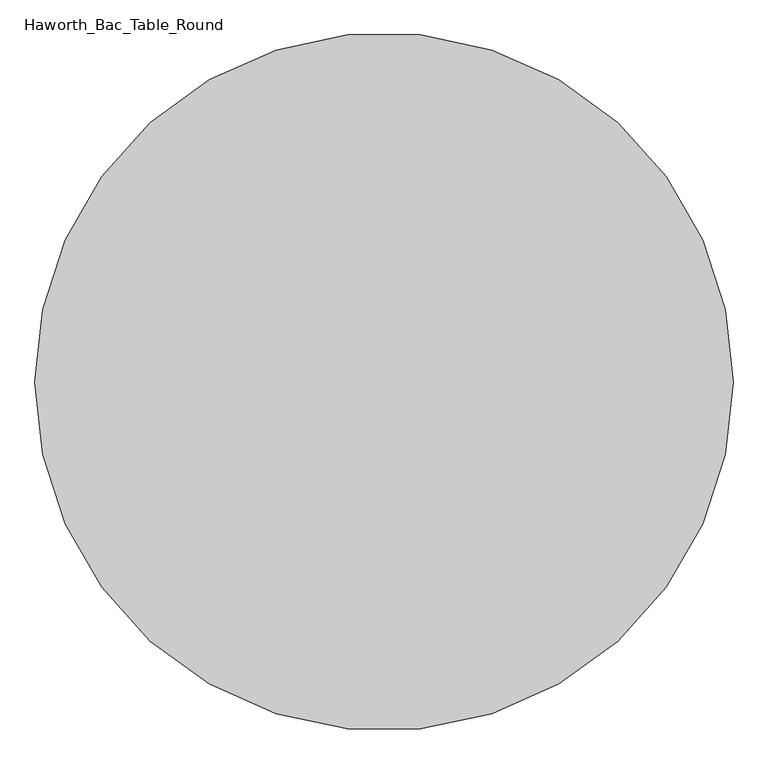
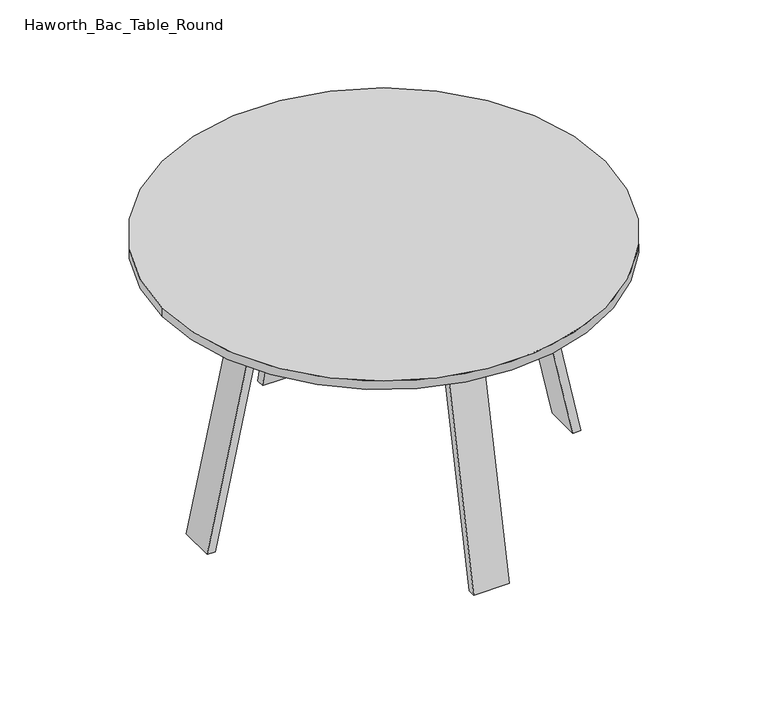
"""IFC4 building model written with IfcOpenShell, lengths in millimetres: furniture geometry, Haworth_Bac_Table_Round."""

from ifc_helpers import new_model, si_unit, point, frame, frame_2d, origin, place, context, project, spatial, polyline, circle_curve, trimmed, segment, composite_curve, outline, extrude, source, transform, mapped, element, save


def haworth_bac_table_round_a3223d51(model_context):
    return source(origin(), model_context, "Body", "SweptSolid", [
        extrude(outline(polyline([(-353.5108247, 711.2), (-34.0436127, 711.2), (-34.0436127, 630.7335937), (-370.6144874, 630.7335938), (-353.5108247, 711.2)])), frame((-30.0136719, 0.0, 0.0), z_axis=(1.0, 0.0, 0.0), x_axis=(0.0, 1.0, 0.0)), (0.0, 0.0, 1.0), 60.0273438),
        extrude(outline(polyline([(345.4509432, 711.2), (362.5546058, 630.7335938), (25.9837311, 630.7335937), (25.9837311, 711.2), (345.4509432, 711.2)])), frame((-30.0136719, 0.0, 0.0), z_axis=(1.0, 0.0, 0.0), x_axis=(0.0, 1.0, 0.0)), (0.0, 0.0, 1.0), 60.0273438),
        extrude(outline(polyline([(-355.3569134, 711.2), (-506.5271401, 0.0), (-529.0186089, 0.0), (-377.8483823, 711.2), (-355.3569134, 711.2)])), frame((-50.00625, 0.0, 0.0), z_axis=(1.0, 0.0, 0.0), x_axis=(0.0, 1.0, 0.0)), (0.0, 0.0, 1.0), 100.0125),
        extrude(outline(polyline([(347.2970319, 711.2), (369.7885007, 711.2), (520.9587274, 0.0), (498.4672585, 0.0), (347.2970319, 711.2)])), frame((-50.00625, 0.0, 0.0), z_axis=(1.0, 0.0, 0.0), x_axis=(0.0, 1.0, 0.0)), (0.0, 0.0, 1.0), 100.0125),
        extrude(outline(polyline([(630.7335937, -366.5845466), (630.7335937, 366.5845466), (711.2, 349.4820547), (711.2, -349.4820547), (630.7335937, -366.5845466)])), frame((0.0, -34.0436127, 0.0), z_axis=(0.0, 1.0, 0.0), x_axis=(0.0, 0.0, 1.0)), (0.0, 0.0, 1.0), 60.0273437),
        extrude(outline(polyline([(0.0, -502.4971993), (711.2, -351.3269726), (711.2, -373.8184415), (0.0, -524.9886682), (0.0, -502.4971993)])), frame((0.0, -54.0361908, 0.0), z_axis=(0.0, 1.0, 0.0), x_axis=(0.0, 0.0, 1.0)), (0.0, 0.0, 1.0), 100.0054828),
        extrude(outline(polyline([(0.0, 502.4971993), (0.0, 524.9886682), (711.2, 373.8184415), (711.2, 351.3269726), (0.0, 502.4971993)])), frame((0.0, -54.0361908, 0.0), z_axis=(0.0, 1.0, 0.0), x_axis=(0.0, 0.0, 1.0)), (0.0, 0.0, 1.0), 100.0054828),
        extrude(outline(composite_curve([segment(trimmed(circle_curve(frame_2d((0.0, -4.0299408)), 622.3), [point((-622.3, -4.0299408))], [point((622.3, -4.0299408))], False, "CARTESIAN"), True, "CONTINUOUS"), segment(trimmed(circle_curve(frame_2d((0.0, -4.0299408)), 622.3), [point((622.3, -4.0299408))], [point((-622.3, -4.0299408))], False, "CARTESIAN"), True, "CONTINUOUS")], self_intersect=False)), frame((0.0, 0.0, 711.2), z_axis=(0.0, 0.0, 1.0), x_axis=(1.0, 0.0, 0.0)), (0.0, 0.0, 1.0), 25.4),
    ])


if __name__ == "__main__":
    model = new_model("IFC4")
    model_context = context("Model", 3, world=origin())
    ifc_project = project(units=[si_unit("LENGTHUNIT", "METRE", prefix="MILLI")], contexts=[model_context])
    site = spatial("IfcSite", under=ifc_project)
    building = spatial("IfcBuilding", under=site)
    placement = place(None, origin())
    haworth_bac_table_round_shape = haworth_bac_table_round_a3223d51(model_context)
    element("IfcFurniture", 1, ObjectType="Haworth_Bac_Table_Round", at=placement, inside=building, context=model_context, shape_type="MappedRepresentation", body=[
        mapped(haworth_bac_table_round_shape, transform((0.0, 0.0, 0.0), x_axis=(1.0, 0.0, 0.0), y_axis=(0.0, 1.0, 0.0), z_axis=(0.0, 0.0, 1.0))),
    ])
    save(model, "model.ifc")
